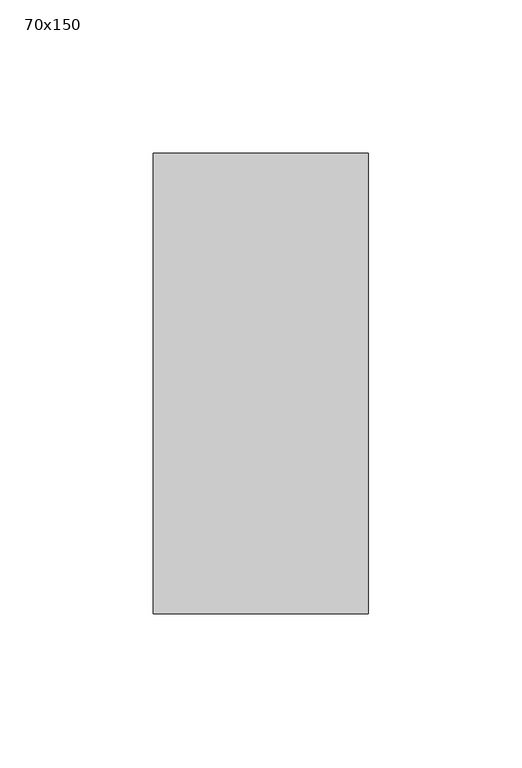
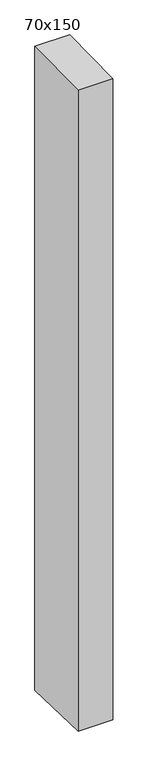
"""IFC4 building model written with IfcOpenShell, lengths in millimetres: member geometry, 70x150."""

from ifc_helpers import new_model, si_unit, frame, origin, place, context, project, spatial, polyline, outline, extrude, source, transform, mapped, element, save


def member_70x150_9b378faf(model_context):
    return source(origin(), model_context, "Body", "SweptSolid", [
        extrude(outline(polyline([(-75.0, -0.9749865), (75.0, 0.9749865), (75.0, -1364.4939871), (-75.0, -1360.6772893), (-75.0, -0.9749865)])), frame((-70.0, 0.0, 0.0), z_axis=(1.0, 0.0, 0.0), x_axis=(0.0, 1.0, 0.0)), (0.0, 0.0, 1.0), 70.0),
    ])


if __name__ == "__main__":
    model = new_model("IFC4")
    model_context = context("Model", 3, world=origin())
    ifc_project = project(units=[si_unit("LENGTHUNIT", "METRE", prefix="MILLI")], contexts=[model_context])
    site = spatial("IfcSite", under=ifc_project)
    building = spatial("IfcBuilding", under=site)
    placement = place(None, origin())
    member_70x150_shape = member_70x150_9b378faf(model_context)
    element("IfcMember", 1, ObjectType="70x150", at=placement, inside=building, context=model_context, shape_type="MappedRepresentation", body=[
        mapped(member_70x150_shape, transform((0.0, 0.0, 0.0), x_axis=(1.0, 0.0, 0.0), y_axis=(0.0, 1.0, 0.0), z_axis=(0.0, 0.0, 1.0))),
    ])
    save(model, "model.ifc")
